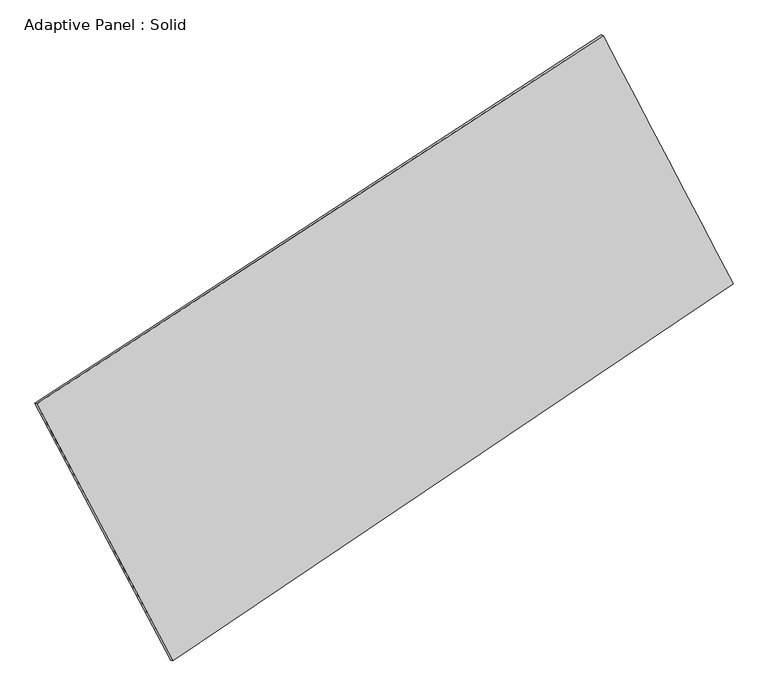
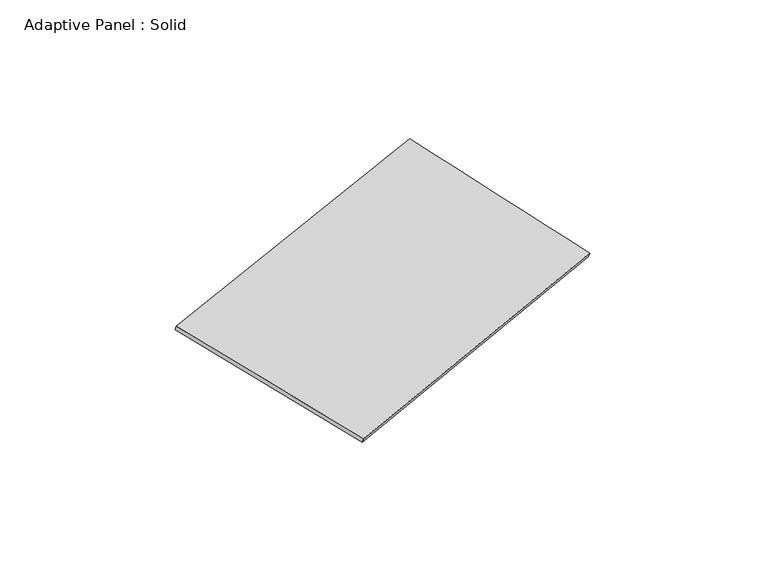
"""IFC4 building model written with IfcOpenShell, lengths in millimetres: plate geometry, Adaptive Panel : Solid."""

from ifc_helpers import new_model, si_unit, frame, origin, place, context, project, spatial, source, transform, mapped, element, save
from ifc_brep_helpers import plane_surface, spline_surface, advanced_brep


def adaptive_panel_solid_c3fa7f25(model_context):
    return source(origin(), model_context, "Body", "AdvancedBrep", [
        advanced_brep(
        [(1212.8944674, 2568.2336954, 674.9681202), (-3657.4223779, -598.0342478, 1714.3362525), (-3642.756022, -604.4143413, 1761.7091605), (1227.5608233, 2561.8536019, 722.3410282), (-2488.6276351, -2807.1268222, 1096.3515784), (-2473.9612792, -2813.5069157, 1143.7244864), (2329.8649674, 436.6788017, -0.5334309), (2344.5313232, 430.2987083, 46.8394771)],
        [
            (0, 1),
            (1, 2),
            (2, 3),
            (3, 0),
            (1, 4),
            (4, 5),
            (5, 2),
            (4, 6),
            (6, 7),
            (7, 5),
            (6, 0),
            (3, 7),
        ],
        [
            plane_surface(frame((-1222.2639552, 985.0997238, 1194.6521863), z_axis=(-0.4858825689352223, 0.8336121403973162, 0.26269550545663056), x_axis=(-0.8252934148560596, -0.5365359515989234, 0.17612481948056577))),
            plane_surface(frame((-3073.0250065, -1702.580535, 1405.3439155), z_axis=(-0.8437080802812024, -0.5006031186827335, 0.1937864619454348), x_axis=(0.4539881351179544, -0.8580649633649958, -0.24004018792183643))),
            plane_surface(frame((-79.3813339, -1185.2240102, 547.9090738), z_axis=(0.49624936366716277, -0.8267535779385145, -0.26498130203054154), x_axis=(0.8151344009418818, 0.5487478703845565, -0.1855577622993273))),
            plane_surface(frame((1771.3797174, 1502.4562486, 337.2173447), z_axis=(0.8425834713831447, 0.502738396259022, -0.19315071493224167), x_axis=(-0.44687931157754834, 0.8527958290219302, 0.2702557212840746))),
            spline_surface(1, 1, [[(-3642.756022, -604.4143413, 1761.7091605), (1227.5608233, 2561.8536019, 722.3410282)], [(-2473.9612792, -2813.5069157, 1143.7244864), (2344.5313232, 430.2987083, 46.8394771)]], [2, 2], [2, 2], [0.0, 1.0], [0.0, 1.0]),
            spline_surface(1, 1, [[(2329.8649674, 436.6788017, -0.5334309), (1212.8944674, 2568.2336954, 674.9681202)], [(-2488.6276351, -2807.1268222, 1096.3515784), (-3657.4223779, -598.0342478, 1714.3362525)]], [2, 2], [2, 2], [0.0, 1.0], [0.0, 1.0]),
        ],
        [
            (0, [[1, 2, 3, 4]]),
            (1, [[5, 6, 7, -2]]),
            (2, [[8, 9, 10, -6]]),
            (3, [[11, -4, 12, -9]]),
            (4, [[-3, -7, -10, -12]]),
            (5, [[-11, -8, -5, -1]]),
        ],
    ),
    ])


if __name__ == "__main__":
    model = new_model("IFC4")
    model_context = context("Model", 3, world=origin())
    ifc_project = project(units=[si_unit("LENGTHUNIT", "METRE", prefix="MILLI")], contexts=[model_context])
    site = spatial("IfcSite", under=ifc_project)
    building = spatial("IfcBuilding", under=site)
    placement = place(None, origin())
    adaptive_panel_solid_shape = adaptive_panel_solid_c3fa7f25(model_context)
    element("IfcPlate", 1, ObjectType="Adaptive Panel : Solid", at=placement, inside=building, context=model_context, shape_type="MappedRepresentation", body=[
        mapped(adaptive_panel_solid_shape, transform((0.0, 0.0, 0.0), x_axis=(1.0, 0.0, 0.0), y_axis=(0.0, 1.0, 0.0), z_axis=(0.0, 0.0, 1.0))),
    ])
    save(model, "model.ifc")
